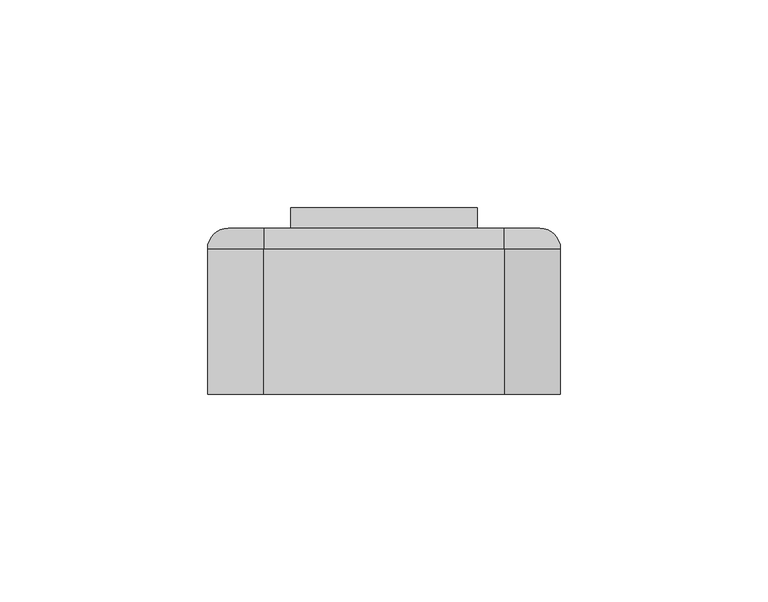
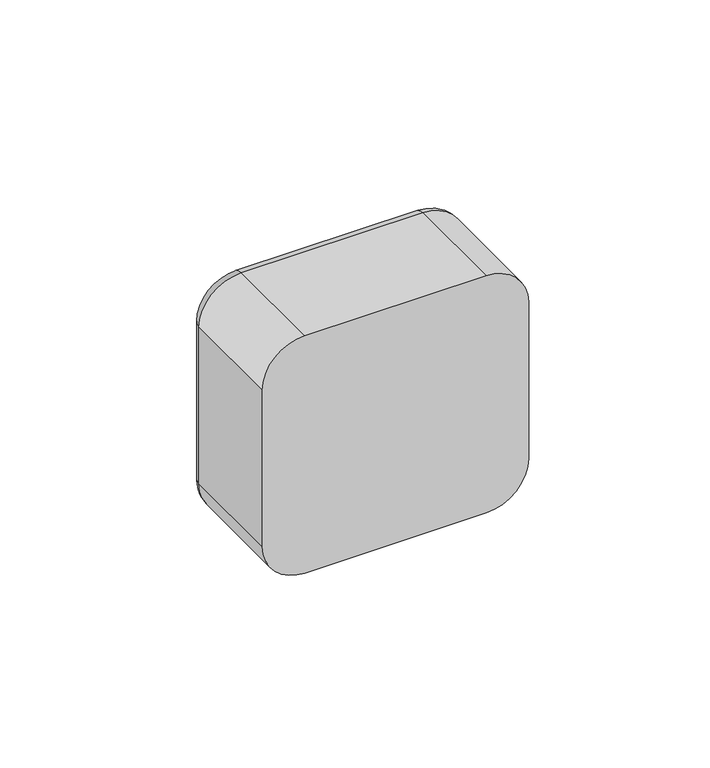
"""IFC4 building model written with IfcOpenShell, lengths in millimetres: switching device geometry."""

from ifc_helpers import new_model, si_unit, point, frame, origin, place, context, project, spatial, polyline, circle_curve, ellipse_curve, trimmed, outline, extrude, faceted_brep, source, transform, mapped, element, save
from ifc_brep_helpers import plane_surface, cylinder_surface, revolved_surface, advanced_brep


def switching_device_b5dd1cd5(model_context):
    return source(origin(), model_context, "Body", "SolidModel", [
        advanced_brep(
        [(28.9328665, 40.0, 35.0), (37.5, 40.0, 26.4328665), (37.5, 40.0, -26.4328665), (28.9328665, 40.0, -35.0), (-28.9328665, 40.0, -35.0), (-37.5, 40.0, -26.4328665), (-37.5, 40.0, 26.4328665), (-28.9328665, 40.0, 35.0), (22.5, 40.0, 22.5), (-22.5, 40.0, 22.5), (-22.5, 40.0, -22.5), (22.5, 40.0, -22.5), (-28.9328665, 0.0, 40.0), (-42.5, 0.0, 26.4328665), (-42.5, 0.0, -26.4328665), (-28.9328665, 0.0, -40.0), (28.9328665, 0.0, -40.0), (42.5, 0.0, -26.4328665), (42.5, 0.0, 26.4328665), (28.9328665, 0.0, 40.0), (22.5, 2.0, -22.5), (22.5, 2.0, 22.5), (-22.5, 2.0, -22.5), (-22.5, 2.0, 22.5), (-42.5, 35.0, 26.4328665), (-42.5, 35.0, -26.4328665), (-28.9328665, 35.0, -40.0), (28.9328665, 35.0, -40.0), (42.5, 35.0, -26.4328665), (42.5, 35.0, 26.4328665), (28.9328665, 35.0000072, 40.0), (-28.9328665, 35.0, 40.0)],
        [
            (0, 1, circle_curve(frame((28.9328665, 40.0, 26.4328665), z_axis=(0.0, 1.0, 0.0), x_axis=(0.0, 0.0, 1.0)), 8.5671335)),
            (1, 2),
            (2, 3, circle_curve(frame((28.9328665, 40.0, -26.4328665), z_axis=(0.0, 1.0, 0.0), x_axis=(1.0, 0.0, 0.0)), 8.5671335)),
            (3, 4),
            (4, 5, circle_curve(frame((-28.9328665, 40.0, -26.4328665), z_axis=(0.0, 1.0, 0.0), x_axis=(0.0, 0.0, -1.0)), 8.5671335)),
            (5, 6),
            (6, 7, circle_curve(frame((-28.9328665, 40.0, 26.4328665), z_axis=(0.0, 1.0, 0.0), x_axis=(-1.0, 0.0, 0.0)), 8.5671335)),
            (7, 0),
            (8, 9),
            (9, 10),
            (10, 11),
            (11, 8),
            (12, 13, circle_curve(frame((-28.9328665, 0.0, 26.4328665), z_axis=(0.0, -1.0, 0.0), x_axis=(1.0, 0.0, 0.0)), 13.5671335)),
            (13, 14),
            (14, 15, circle_curve(frame((-28.9328665, 0.0, -26.4328665), z_axis=(0.0, -1.0, 0.0), x_axis=(1.0, 0.0, 0.0)), 13.5671335)),
            (15, 16),
            (16, 17, circle_curve(frame((28.9328665, 0.0, -26.4328665), z_axis=(0.0, -1.0, 0.0), x_axis=(1.0, 0.0, 0.0)), 13.5671335)),
            (17, 18),
            (18, 19, circle_curve(frame((28.9328665, 0.0, 26.4328665), z_axis=(0.0, -1.0, 0.0), x_axis=(1.0, 0.0, 0.0)), 13.5671335)),
            (19, 12),
            (11, 20),
            (20, 21),
            (21, 8),
            (10, 22),
            (22, 20),
            (9, 23),
            (23, 22),
            (21, 23),
            (13, 24),
            (24, 25),
            (25, 14),
            (15, 26),
            (26, 27),
            (27, 16),
            (17, 28),
            (28, 29),
            (29, 18),
            (19, 30),
            (30, 31),
            (31, 12),
            (31, 24, circle_curve(frame((-28.9328665, 35.0, 26.4328665), z_axis=(0.0, -1.0, 0.0), x_axis=(1.0, 0.0, 0.0)), 13.5671335)),
            (25, 26, circle_curve(frame((-28.9328665, 35.0, -26.4328665), z_axis=(0.0, -1.0, 0.0), x_axis=(1.0, 0.0, 0.0)), 13.5671335)),
            (27, 28, circle_curve(frame((28.9328665, 35.0, -26.4328665), z_axis=(0.0, -1.0, 0.0), x_axis=(1.0, 0.0, 0.0)), 13.5671335)),
            (29, 30, circle_curve(frame((28.9328665, 35.0, 26.4328665), z_axis=(0.0, -1.0, 0.0), x_axis=(1.0, 0.0, 0.0)), 13.5671335)),
            (29, 1, circle_curve(frame((37.5, 35.0, 26.4328665), z_axis=(0.0, 0.0, 1.0), x_axis=(0.0, 1.0, 0.0)), 5.0)),
            (0, 30, circle_curve(frame((28.9328665, 35.0, 35.0), z_axis=(1.0, 0.0, 0.0), x_axis=(0.0, 1.0, 0.0)), 5.0)),
            (28, 2, circle_curve(frame((37.5, 35.0, -26.4328665), z_axis=(0.0, 0.0, 1.0), x_axis=(0.0, 1.0, 0.0)), 5.0)),
            (27, 3, circle_curve(frame((28.9328665, 35.0, -35.0), z_axis=(1.0, 0.0, 0.0), x_axis=(0.0, 1.0, 0.0)), 5.0)),
            (26, 4, circle_curve(frame((-28.9328665, 35.0, -35.0), z_axis=(1.0, 0.0, 0.0), x_axis=(0.0, 1.0, 0.0)), 5.0)),
            (25, 5, circle_curve(frame((-37.5, 35.0, -26.4328665), z_axis=(0.0, 0.0, -1.0), x_axis=(0.0, 1.0, 0.0)), 5.0)),
            (24, 6, circle_curve(frame((-37.5, 35.0, 26.4328665), z_axis=(0.0, 0.0, -1.0), x_axis=(0.0, 1.0, 0.0)), 5.0)),
            (31, 7, circle_curve(frame((-28.9328665, 35.0, 35.0), z_axis=(-1.0, 0.0, 0.0), x_axis=(0.0, 1.0, 0.0)), 5.0)),
        ],
        [
            plane_surface(frame((22.5, 40.0, 6.9412233), z_axis=(0.0, 1.0, 0.0), x_axis=(0.0, 0.0, 1.0))),
            plane_surface(frame((22.5, 0.0, 6.9412233), z_axis=(0.0, -1.0, 0.0), x_axis=(0.0, 0.0, -1.0))),
            plane_surface(frame((22.5, 0.0, 22.5), z_axis=(-1.0, 0.0, 0.0), x_axis=(0.0, 1.0, 0.0))),
            plane_surface(frame((22.5, 0.0, -22.5), z_axis=(0.0, 0.0, 1.0), x_axis=(0.0, 1.0, 0.0))),
            plane_surface(frame((-22.5, 0.0, -22.5), z_axis=(1.0, 0.0, 0.0), x_axis=(0.0, 1.0, 0.0))),
            plane_surface(frame((-22.5, 0.0, 22.5), z_axis=(0.0, 0.0, -1.0), x_axis=(0.0, 1.0, 0.0))),
            plane_surface(frame((-42.5, 0.0, 26.4328665), z_axis=(-1.0, 0.0, 0.0), x_axis=(0.0, 1.0, 0.0))),
            plane_surface(frame((-28.9328665, 0.0, -40.0), z_axis=(0.0, 0.0, -1.0), x_axis=(0.0, 1.0, 0.0))),
            plane_surface(frame((42.5, 0.0, -26.4328665), z_axis=(1.0, 0.0, 0.0), x_axis=(0.0, 1.0, 0.0))),
            plane_surface(frame((28.9328665, 0.0, 40.0), z_axis=(0.0, 0.0, 1.0), x_axis=(0.0, 1.0, 0.0))),
            cylinder_surface(frame((-28.9328665, 0.0, 26.4328665), z_axis=(0.0, -1.0, 0.0), x_axis=(1.0, 0.0, 0.0)), 13.5671335),
            cylinder_surface(frame((-28.9328665, 0.0, -26.4328665), z_axis=(0.0, -1.0, 0.0), x_axis=(1.0, 0.0, 0.0)), 13.5671335),
            cylinder_surface(frame((28.9328665, 0.0, -26.4328665), z_axis=(0.0, -1.0, 0.0), x_axis=(1.0, 0.0, 0.0)), 13.5671335),
            cylinder_surface(frame((28.9328665, 0.0, 26.4328665), z_axis=(0.0, -1.0, 0.0), x_axis=(1.0, 0.0, 0.0)), 13.5671335),
            plane_surface(frame((-22.5, 2.0, 31.0), z_axis=(0.0, 1.0, 0.0), x_axis=(0.0, 0.0, 1.0))),
            revolved_surface(trimmed(ellipse_curve(frame((28.9328665, 35.0, 35.0), z_axis=(-1.0, 0.0, 0.0), x_axis=(0.0, 1.0, 0.0)), 5.0, 5.0), [point((28.9328665, 35.0, 40.0))], [point((28.9328665, 40.0, 35.0))], True, "CARTESIAN"), (28.9328665, 40.0, 26.4328665), (0.0, 1.0, 0.0)),
            cylinder_surface(frame((37.5, 35.0, 26.4328665), z_axis=(0.0, 0.0, -1.0), x_axis=(0.0, 1.0, 0.0)), 5.0),
            revolved_surface(trimmed(ellipse_curve(frame((37.5, 35.0, -26.4328665), z_axis=(0.0, 0.0, 1.0), x_axis=(0.0, 1.0, 0.0)), 5.0, 5.0), [point((42.5, 35.0, -26.4328665))], [point((37.5, 40.0, -26.4328665))], True, "CARTESIAN"), (28.9328665, 40.0, -26.4328665), (0.0, 1.0, 0.0)),
            cylinder_surface(frame((28.9328665, 35.0, -35.0), z_axis=(-1.0, 0.0, 0.0), x_axis=(0.0, 1.0, 0.0)), 5.0),
            revolved_surface(trimmed(ellipse_curve(frame((-28.9328665, 35.0, -35.0), z_axis=(1.0, 0.0, 0.0), x_axis=(0.0, 1.0, 0.0)), 5.0, 5.0), [point((-28.9328665, 35.0, -40.0))], [point((-28.9328665, 40.0, -35.0))], True, "CARTESIAN"), (-28.9328665, 40.0, -26.4328665), (0.0, 1.0, 0.0)),
            cylinder_surface(frame((-37.5, 35.0, -26.4328665), z_axis=(0.0, 0.0, 1.0), x_axis=(0.0, 1.0, 0.0)), 5.0),
            revolved_surface(trimmed(ellipse_curve(frame((-37.5, 35.0, 26.4328665), z_axis=(0.0, 0.0, -1.0), x_axis=(0.0, 1.0, 0.0)), 5.0, 5.0), [point((-42.5, 35.0, 26.4328665))], [point((-37.5, 40.0, 26.4328665))], True, "CARTESIAN"), (-28.9328665, 40.0, 26.4328665), (0.0, 1.0, 0.0)),
            cylinder_surface(frame((-28.9328665, 35.0, 35.0), z_axis=(1.0, 0.0, 0.0), x_axis=(0.0, 1.0, 0.0)), 5.0),
        ],
        [
            (0, [[1, 2, 3, 4, 5, 6, 7, 8], [9, 10, 11, 12]]),
            (1, [[13, 14, 15, 16, 17, 18, 19, 20]]),
            (2, [[-12, 21, 22, 23]]),
            (3, [[-11, 24, 25, -21]]),
            (4, [[-10, 26, 27, -24]]),
            (5, [[-9, -23, 28, -26]]),
            (6, [[-14, 29, 30, 31]]),
            (7, [[-16, 32, 33, 34]]),
            (8, [[-18, 35, 36, 37]]),
            (9, [[-20, 38, 39, 40]]),
            (10, [[-13, -40, 41, -29]]),
            (11, [[-15, -31, 42, -32]]),
            (12, [[-17, -34, 43, -35]]),
            (13, [[-19, -37, 44, -38]]),
            (14, [[-22, -25, -27, -28]]),
            (15, [[45, -1, 46, -44]]),
            (16, [[-45, -36, 47, -2]]),
            (17, [[-47, -43, 48, -3]]),
            (18, [[-48, -33, 49, -4]]),
            (19, [[-49, -42, 50, -5]]),
            (20, [[-50, -30, 51, -6]]),
            (21, [[-51, -41, 52, -7]]),
            (22, [[-46, -8, -52, -39]]),
        ],
    ),
        extrude(outline(polyline([(0.0, -2.0), (0.0, 0.0), (0.9999999, 0.0), (0.9999999, -2.0), (0.0, -2.0)])), frame((1.0, 42.2452249, -2.4844182), z_axis=(0.0, 0.11147470448260206, 0.9937672716790972), x_axis=(0.0, -0.9937672716790972, 0.11147470448260206)), (0.0, 0.0, 1.0), 5.0),
        faceted_brep([(22.5, 40.0, -22.5), (22.5, 44.9850961, 21.9408026), (22.5, 40.0, 22.5), (-22.5, 40.0, -22.5), (-22.5, 40.0, 22.5), (-22.5, 44.9850961, 21.9408026), (1.0, 42.2452249, -2.4844182), (1.0, 42.8025985, 2.4844182), (-1.0, 42.8025985, 2.4844182), (-1.0, 42.2452249, -2.4844182), (1.0, 41.2514577, -2.3729435), (-1.0, 41.2514577, -2.3729435), (-1.0, 41.8088312, 2.5958929), (1.0, 41.8088312, 2.5958929)], [[[0, 1, 2]], [[3, 4, 5]], [[1, 0, 3, 5], [6, 7, 8, 9]], [[2, 1, 5, 4]], [[0, 2, 4, 3]], [[10, 11, 12, 13]], [[10, 13, 7, 6]], [[13, 12, 8, 7]], [[12, 11, 9, 8]], [[11, 10, 6, 9]]]),
        extrude(outline(polyline([(22.5, 2.0), (-22.5, 2.0), (-22.5, 32.0), (22.5, 32.0), (22.5, 2.0)])), frame((0.0, 0.0, -22.5), z_axis=(0.0, 0.0, 1.0), x_axis=(1.0, 0.0, 0.0)), (0.0, 0.0, 1.0), 45.0),
        extrude(outline(polyline([(22.5, 32.0), (-22.5, 32.0), (-22.5, 40.0), (22.5, 40.0), (22.5, 32.0)])), frame((0.0, 0.0, -22.5), z_axis=(0.0, 0.0, 1.0), x_axis=(1.0, 0.0, 0.0)), (0.0, 0.0, 1.0), 45.0),
    ])


if __name__ == "__main__":
    model = new_model("IFC4")
    model_context = context("Model", 3, world=origin())
    ifc_project = project(units=[si_unit("LENGTHUNIT", "METRE", prefix="MILLI")], contexts=[model_context])
    site = spatial("IfcSite", under=ifc_project)
    building = spatial("IfcBuilding", under=site)
    placement = place(None, origin())
    switching_device_shape = switching_device_b5dd1cd5(model_context)
    element("IfcSwitchingDevice", 1, at=placement, inside=building, context=model_context, shape_type="MappedRepresentation", body=[
        mapped(switching_device_shape, transform((0.0, 0.0, 0.0), x_axis=(1.0, 0.0, 0.0), y_axis=(0.0, 1.0, 0.0), z_axis=(0.0, 0.0, 1.0))),
    ])
    save(model, "model.ifc")
